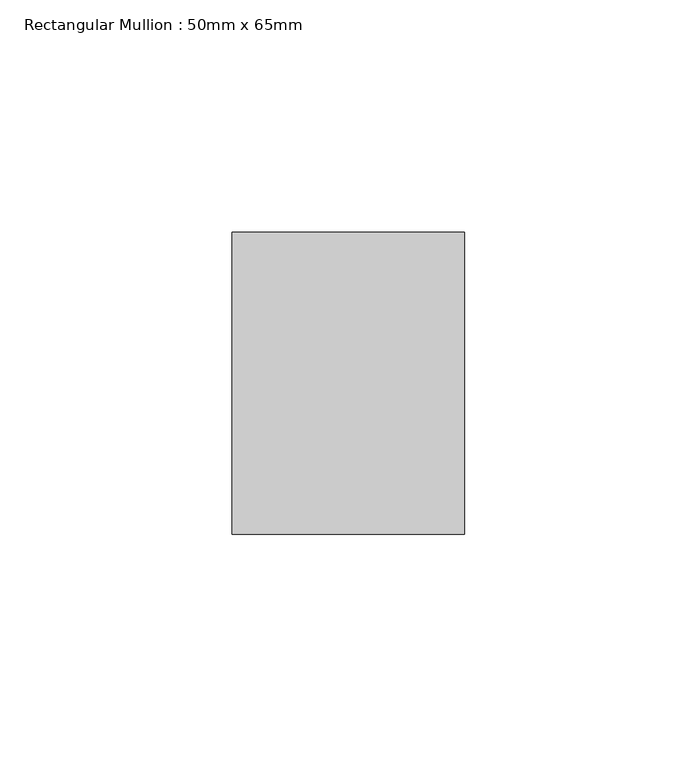
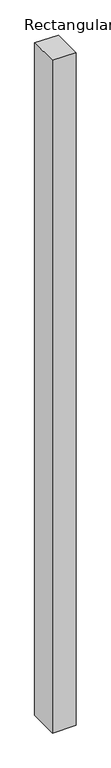
"""IFC4 building model written with IfcOpenShell, lengths in millimetres: member geometry, Rectangular Mullion : 50mm x 65mm."""

from ifc_helpers import new_model, si_unit, frame, origin, place, context, project, spatial, polyline, outline, extrude, source, transform, mapped, element, save


def rectangular_mullion_50mm_x_65mm_d3355906(model_context):
    return source(origin(), model_context, "Body", "SweptSolid", [
        extrude(outline(polyline([(-32.5, 0.1073306), (32.5, -0.1073304), (32.5, -1499.9556588), (-32.5, -1500.0443312), (-32.5, 0.1073306)])), frame((-25.0, 0.0, 0.0), z_axis=(1.0, 0.0, 0.0), x_axis=(0.0, 1.0, 0.0)), (0.0, 0.0, 1.0), 50.0),
    ])


if __name__ == "__main__":
    model = new_model("IFC4")
    model_context = context("Model", 3, world=origin())
    ifc_project = project(units=[si_unit("LENGTHUNIT", "METRE", prefix="MILLI")], contexts=[model_context])
    site = spatial("IfcSite", under=ifc_project)
    building = spatial("IfcBuilding", under=site)
    placement = place(None, origin())
    rectangular_mullion_50mm_x_65mm_shape = rectangular_mullion_50mm_x_65mm_d3355906(model_context)
    element("IfcMember", 1, ObjectType="Rectangular Mullion : 50mm x 65mm", at=placement, inside=building, context=model_context, shape_type="MappedRepresentation", body=[
        mapped(rectangular_mullion_50mm_x_65mm_shape, transform((0.0, 0.0, 0.0), x_axis=(1.0, 0.0, 0.0), y_axis=(0.0, 1.0, 0.0), z_axis=(0.0, 0.0, 1.0))),
    ])
    save(model, "model.ifc")
